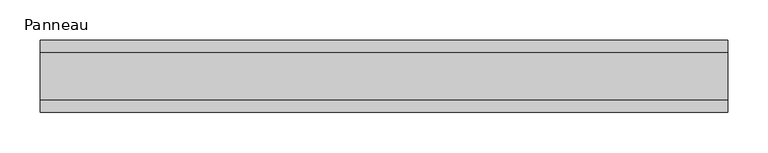
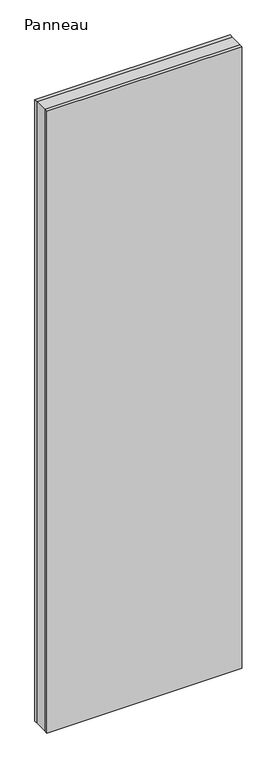
"""IFC4 building model written with IfcOpenShell, lengths in millimetres: plate geometry, Panneau."""

from ifc_helpers import new_model, si_unit, origin, origin_with_axes, place, context, project, spatial, polyline, outline, extrude, source, transform, mapped, element, save


def panneau_06b53ce2(model_context):
    return source(origin(), model_context, "Body", "SweptSolid", [
        extrude(outline(polyline([(428.3847577, 29.0), (428.3847577, -29.0), (-428.3847577, -29.0), (-428.3847577, 29.0), (428.3847577, 29.0)])), origin_with_axes(), (0.0, 0.0, 1.0), 2885.0),
        extrude(outline(polyline([(428.3847577, 45.0), (428.3847577, 29.0), (-428.3847577, 29.0), (-428.3847577, 45.0), (428.3847577, 45.0)])), origin_with_axes(), (0.0, 0.0, 1.0), 2885.0),
        extrude(outline(polyline([(-428.3847577, -45.0), (-428.3847577, -29.0), (428.3847577, -29.0), (428.3847577, -45.0), (-428.3847577, -45.0)])), origin_with_axes(), (0.0, 0.0, 1.0), 2885.0),
    ])


if __name__ == "__main__":
    model = new_model("IFC4")
    model_context = context("Model", 3, world=origin())
    ifc_project = project(units=[si_unit("LENGTHUNIT", "METRE", prefix="MILLI")], contexts=[model_context])
    site = spatial("IfcSite", under=ifc_project)
    building = spatial("IfcBuilding", under=site)
    placement = place(None, origin())
    panneau_shape = panneau_06b53ce2(model_context)
    element("IfcPlate", 1, ObjectType="Panneau", at=placement, inside=building, context=model_context, shape_type="MappedRepresentation", body=[
        mapped(panneau_shape, transform((0.0, 0.0, 0.0), x_axis=(1.0, 0.0, 0.0), y_axis=(0.0, 1.0, 0.0), z_axis=(0.0, 0.0, 1.0))),
    ])
    save(model, "model.ifc")
